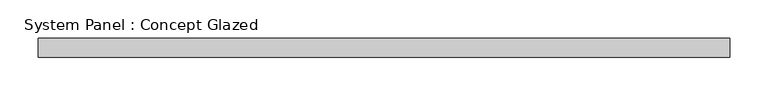
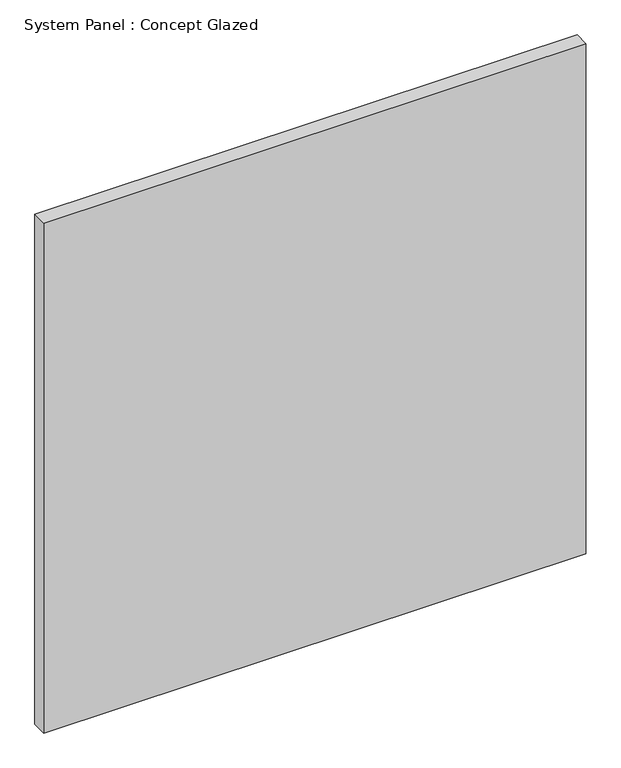
"""IFC4 building model written with IfcOpenShell, lengths in millimetres: plate geometry, System Panel : Concept Glazed."""

from ifc_helpers import new_model, si_unit, origin, origin_with_axes, place, context, project, spatial, polyline, outline, extrude, source, transform, mapped, element, save


def system_panel_concept_glazed_03983dbc(model_context):
    return source(origin(), model_context, "Body", "SweptSolid", [
        extrude(outline(polyline([(452.5, 0.0), (-452.5, 0.0), (-452.5, 25.0), (452.5, 25.0), (452.5, 0.0)])), origin_with_axes(), (0.0, 0.0, 1.0), 900.0),
    ])


if __name__ == "__main__":
    model = new_model("IFC4")
    model_context = context("Model", 3, world=origin())
    ifc_project = project(units=[si_unit("LENGTHUNIT", "METRE", prefix="MILLI")], contexts=[model_context])
    site = spatial("IfcSite", under=ifc_project)
    building = spatial("IfcBuilding", under=site)
    placement = place(None, origin())
    system_panel_concept_glazed_shape = system_panel_concept_glazed_03983dbc(model_context)
    element("IfcPlate", 1, ObjectType="System Panel : Concept Glazed", at=placement, inside=building, context=model_context, shape_type="MappedRepresentation", body=[
        mapped(system_panel_concept_glazed_shape, transform((0.0, 0.0, 0.0), x_axis=(1.0, 0.0, 0.0), y_axis=(0.0, 1.0, 0.0), z_axis=(0.0, 0.0, 1.0))),
    ])
    save(model, "model.ifc")
